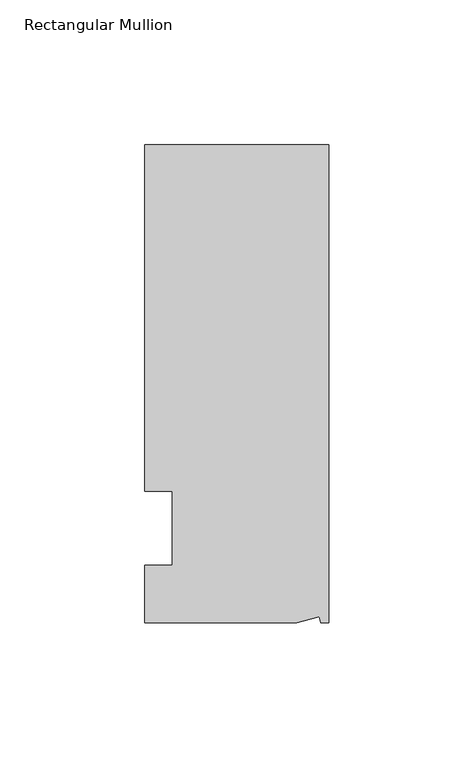
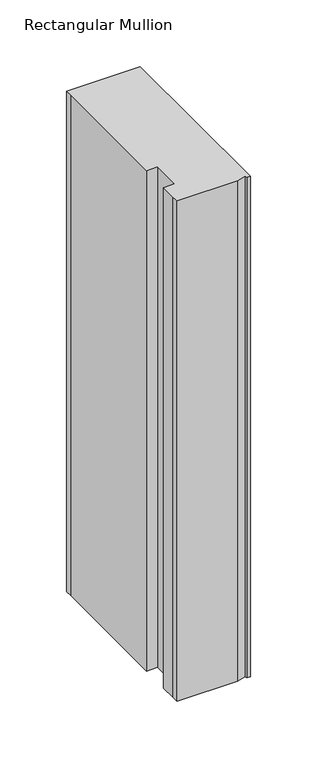
"""IFC4 building model written with IfcOpenShell, lengths in millimetres: member geometry, Rectangular Mullion."""

from ifc_helpers import new_model, si_unit, origin, place, context, project, spatial, faceted_brep, source, transform, mapped, element, save


def rectangular_mullion_fce67ee9(model_context):
    return source(origin(), model_context, "Body", "Brep", [
        faceted_brep([(0.0, 132.5561012, 0.0), (-63.5, 132.5561012, 0.0), (-63.5, 126.2061012, 0.0), (-63.5, 12.8488281, 0.0), (-53.975, 12.8488281, 0.0), (-53.975, -12.7, 0.0), (-63.5, -12.7, 0.0), (-63.5, -26.1938988, 0.0), (-63.5076469, -32.5438988, 0.0), (-11.1125, -32.5438988, 0.0), (-3.3223696, -30.4565397, 0.0), (-2.7630634, -32.5438988, 0.0), (0.0, -32.5438988, 0.0), (0.0, 132.5561012, -457.2), (0.0, -32.5438988, -457.2), (-2.7630634, -32.5438988, -457.2), (-3.3223696, -30.4565397, -457.2), (-11.1125, -32.5438988, -457.2), (-63.5076469, -32.5438988, -457.2), (-63.5076469, -26.1938988, -457.2), (-63.5, -12.7, -457.2), (-53.975, -12.7, -457.2), (-53.975, 12.8488281, -457.2), (-63.5, 12.8488281, -457.2), (-63.5, 126.2061012, -457.2), (-63.5, 132.5561012, -457.2)], [[[0, 1, 2, 3, 4, 5, 6, 7, 8, 9, 10, 11, 12]], [[13, 14, 15, 16, 17, 18, 19, 20, 21, 22, 23, 24, 25]], [[0, 12, 14, 13]], [[1, 0, 13, 25]], [[3, 2, 24, 23]], [[4, 3, 23, 22]], [[5, 4, 22, 21]], [[6, 5, 21, 20]], [[7, 6, 20, 19]], [[9, 8, 18, 17]], [[10, 9, 17, 16]], [[11, 10, 16, 15]], [[12, 11, 15, 14]], [[2, 1, 25, 24]], [[8, 7, 19, 18]]]),
    ])


if __name__ == "__main__":
    model = new_model("IFC4")
    model_context = context("Model", 3, world=origin())
    ifc_project = project(units=[si_unit("LENGTHUNIT", "METRE", prefix="MILLI")], contexts=[model_context])
    site = spatial("IfcSite", under=ifc_project)
    building = spatial("IfcBuilding", under=site)
    placement = place(None, origin())
    rectangular_mullion_shape = rectangular_mullion_fce67ee9(model_context)
    element("IfcMember", 1, ObjectType="Rectangular Mullion", at=placement, inside=building, context=model_context, shape_type="MappedRepresentation", body=[
        mapped(rectangular_mullion_shape, transform((0.0, 0.0, 0.0), x_axis=(1.0, 0.0, 0.0), y_axis=(0.0, 1.0, 0.0), z_axis=(0.0, 0.0, 1.0))),
    ])
    save(model, "model.ifc")
